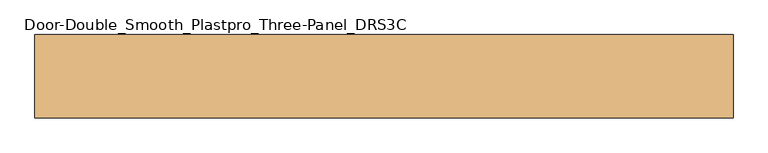
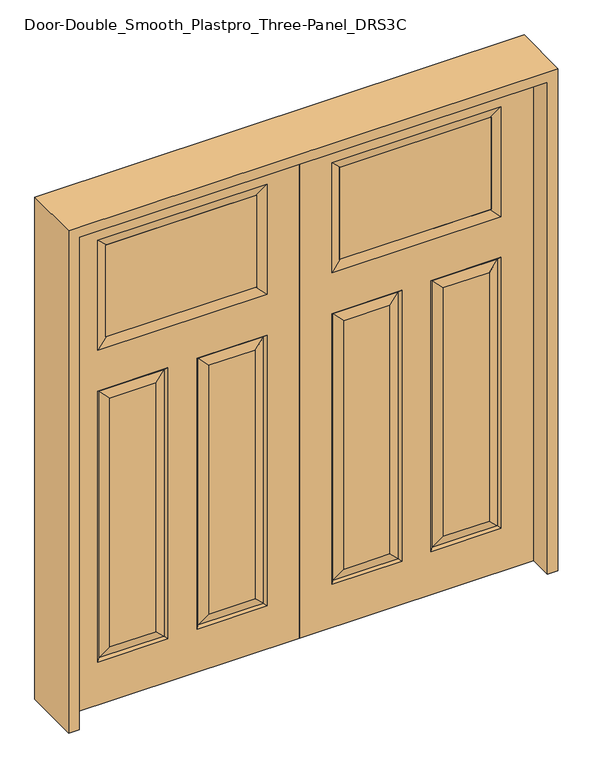
"""IFC4 building model written with IfcOpenShell, lengths in millimetres: door geometry, Door-Double_Smooth_Plastpro_Three-Panel_DRS3C."""

from ifc_helpers import new_model, si_unit, frame, origin, place, context, project, spatial, polyline, outline, extrude, faceted_brep, source, transform, mapped, element, save


def door_double_smooth_plastpro_three_panel_drs3c_b2e98c24(model_context):
    return source(origin(), model_context, "Body", "SolidModel", [
        faceted_brep([(914.4, -20.6375, 2032.0), (914.4, -20.6375, 0.0), (914.4, 20.6375, 0.0), (914.4, 20.6375, 2032.0), (0.0, 20.6375, 0.0), (0.0, 20.6375, 2032.0), (126.873, 20.6375, 177.673), (400.177, 20.6375, 177.673), (400.177, 20.6375, 1295.527), (126.873, 20.6375, 1295.527), (787.5984375, 20.6375, 1463.5757812), (787.5984375, 20.6375, 1917.8984375), (126.8015625, 20.6375, 1917.8984375), (126.8015625, 20.6375, 1463.5757812), (787.527, 20.6375, 1295.527), (514.223, 20.6375, 1295.527), (514.223, 20.6375, 177.673), (787.527, 20.6375, 177.673), (741.4895, 20.6375, 223.7105), (560.2605, 20.6375, 223.7105), (560.2605, 20.6375, 1249.4895), (741.4895, 20.6375, 1249.4895), (172.9105, 20.6375, 1249.4895), (354.1395, 20.6375, 1249.4895), (354.1395, 20.6375, 223.7105), (172.9105, 20.6375, 223.7105), (778.5467439, 11.6572439, 1286.5467439), (778.5467439, 11.6572439, 186.6532561), (523.2032561, 11.6572439, 186.6532561), (391.1967439, -11.6572439, 186.6532561), (391.1967439, -11.6572439, 1286.5467439), (354.1395, -20.6375, 1249.4895), (354.1395, -20.6375, 223.7105), (560.2605, -20.6375, 223.7105), (560.2605, -20.6375, 1249.4895), (523.2032561, -11.6572439, 1286.5467439), (523.2032561, -11.6572439, 186.6532561), (778.5467439, -11.6572439, 186.6532561), (514.223, -20.6375, 177.673), (787.527, -20.6375, 177.673), (787.5984375, -20.6375, 1463.5757812), (787.5984375, -20.6375, 1917.8984375), (750.5411936, -11.6572439, 1880.8411936), (753.7161936, -12.4266566, 1880.8898438), (753.7161936, -12.4266566, 1500.584375), (750.5411936, -11.6572439, 1500.584375), (163.8588064, -11.6572439, 1500.584375), (160.6838064, -12.4266566, 1500.584375), (160.6838064, -12.4266566, 1880.8898438), (163.8588064, -11.6572439, 1880.8898438), (126.8015625, -20.6375, 1917.8984375), (126.8015625, -20.6375, 1463.5757812), (135.8532561, -11.6572439, 1286.5467439), (400.177, -20.6375, 1295.527), (126.873, -20.6375, 1295.527), (160.6838064, 12.4266566, 1880.8898438), (163.8588064, 11.6572439, 1880.8898438), (750.5411936, 11.6690335, 1880.8898438), (753.7161936, 12.4266566, 1880.8898438), (0.0, -20.6375, 0.0), (0.0, -20.6375, 2032.0), (514.223, -20.6375, 1295.527), (787.527, -20.6375, 1295.527), (400.177, -20.6375, 177.673), (126.873, -20.6375, 177.673), (172.9105, -20.6375, 223.7105), (172.9105, -20.6375, 1249.4895), (741.4895, -20.6375, 1249.4895), (741.4895, -20.6375, 223.7105), (135.8532561, 11.6572439, 186.6532561), (391.1967439, 11.6572439, 186.6532561), (135.8532561, -11.6572439, 186.6532561), (778.5467439, -11.6572439, 1286.5467439), (160.6838064, 12.4266566, 1500.584375), (163.8588064, 11.6572439, 1500.584375), (135.8532561, 11.6572439, 1286.5467439), (391.1967439, 11.6572439, 1286.5467439), (523.2032561, 11.6572439, 1286.5467439), (750.5898438, 11.6690335, 1500.584375), (753.7161936, 12.4266566, 1500.584375)], [[[0, 1, 2, 3]], [[3, 2, 4, 5], [6, 7, 8, 9], [10, 11, 12, 13], [14, 15, 16, 17]], [[18, 19, 20, 21]], [[22, 23, 24, 25]], [[26, 14, 17, 27]], [[27, 18, 21, 26]], [[27, 28, 19, 18]], [[29, 30, 31, 32]], [[33, 34, 35, 36]], [[37, 36, 38, 39]], [[40, 41, 42, 43, 44, 45]], [[46, 47, 48, 49, 50, 51]], [[52, 30, 53, 54]], [[55, 56, 57, 58, 43, 42, 49, 48]], [[51, 40, 45, 46]], [[4, 2, 1, 59]], [[5, 4, 59, 60]], [[60, 59, 1, 0], [39, 38, 61, 62], [51, 50, 41, 40], [54, 53, 63, 64]], [[65, 32, 31, 66]], [[67, 34, 33, 68]], [[5, 60, 0, 3]], [[69, 70, 7, 6]], [[71, 29, 32, 65]], [[63, 53, 30, 29]], [[37, 39, 62, 72]], [[13, 12, 56, 55, 73, 74]], [[6, 9, 75, 69]], [[70, 76, 8, 7]], [[75, 22, 25, 69]], [[25, 24, 70, 69]], [[24, 23, 76, 70]], [[17, 16, 28, 27]], [[16, 15, 77, 28]], [[28, 77, 20, 19]], [[65, 66, 52, 71]], [[52, 54, 64, 71]], [[64, 63, 29, 71]], [[72, 67, 68, 37]], [[68, 33, 36, 37]], [[36, 35, 61, 38]], [[12, 11, 57, 56]], [[78, 79, 58, 57, 11, 10]], [[49, 42, 41, 50]], [[66, 31, 30, 52]], [[9, 8, 76, 75]], [[75, 76, 23, 22]], [[58, 79, 44, 43]], [[79, 78, 74, 73, 47, 46, 45, 44]], [[48, 47, 73, 55]], [[74, 78, 10, 13]], [[72, 35, 34, 67]], [[62, 61, 35, 72]], [[26, 77, 15, 14]], [[21, 20, 77, 26]]]),
        extrude(outline(polyline([(160.6838064, -11.6572439), (160.6838064, 11.6572439), (753.7161936, 11.6572439), (753.7161936, -11.6572439), (160.6838064, -11.6572439)])), frame((0.0, 0.0, 1500.584375), z_axis=(0.0, 0.0, 1.0), x_axis=(1.0, 0.0, 0.0)), (0.0, 0.0, 1.0), 380.3054688),
        faceted_brep([(-914.4, -20.6375, 2032.0), (-914.4, 20.6375, 2032.0), (-914.4, 20.6375, 0.0), (-914.4, -20.6375, 0.0), (-172.9105, 20.6375, 1249.4895), (-172.9105, 20.6375, 223.7105), (-354.1395, 20.6375, 223.7105), (-354.1395, 20.6375, 1249.4895), (-741.4895, 20.6375, 223.7105), (-741.4895, 20.6375, 1249.4895), (-560.2605, 20.6375, 1249.4895), (-560.2605, 20.6375, 223.7105), (0.0, 20.6375, 2032.0), (0.0, 20.6375, 0.0), (-126.873, 20.6375, 177.673), (-126.873, 20.6375, 1295.527), (-400.177, 20.6375, 1295.527), (-400.177, 20.6375, 177.673), (-787.5984375, 20.6375, 1463.5757812), (-126.8015625, 20.6375, 1463.5757812), (-126.8015625, 20.6375, 1917.8984375), (-787.5984375, 20.6375, 1917.8984375), (-787.527, 20.6375, 1295.527), (-787.527, 20.6375, 177.673), (-514.223, 20.6375, 177.673), (-514.223, 20.6375, 1295.527), (-778.5467439, 11.6572439, 1286.5467439), (-778.5467439, 11.6572439, 186.6532561), (-523.2032561, 11.6572439, 186.6532561), (-391.1967439, -11.6572439, 186.6532561), (-354.1395, -20.6375, 223.7105), (-354.1395, -20.6375, 1249.4895), (-391.1967439, -11.6572439, 1286.5467439), (-560.2605, -20.6375, 223.7105), (-523.2032561, -11.6572439, 186.6532561), (-523.2032561, -11.6572439, 1286.5467439), (-560.2605, -20.6375, 1249.4895), (-778.5467439, -11.6572439, 186.6532561), (-787.527, -20.6375, 177.673), (-514.223, -20.6375, 177.673), (-787.5984375, -20.6375, 1463.5757812), (-750.5411936, -11.6572439, 1500.6330251), (-753.7161936, -12.4266566, 1500.584375), (-753.7161936, -12.4266566, 1880.8898438), (-750.5411936, -11.6572439, 1880.8898438), (-787.5984375, -20.6375, 1917.8984375), (-163.8588064, -11.6572439, 1500.6330251), (-126.8015625, -20.6375, 1463.5757812), (-126.8015625, -20.6375, 1917.8984375), (-163.8588064, -11.6572439, 1880.8411936), (-160.6838064, -12.4266566, 1880.8898438), (-160.6838064, -12.4266566, 1500.584375), (-135.8532561, -11.6572439, 1286.5467439), (-126.873, -20.6375, 1295.527), (-400.177, -20.6375, 1295.527), (-160.6838064, 12.4266566, 1880.8898438), (-753.7161936, 12.4266566, 1880.8898438), (-750.5411936, 11.6572439, 1880.8898438), (-163.8588064, 11.6690335, 1880.8898438), (0.0, -20.6375, 0.0), (0.0, -20.6375, 2032.0), (-172.9105, -20.6375, 223.7105), (-172.9105, -20.6375, 1249.4895), (-741.4895, -20.6375, 1249.4895), (-741.4895, -20.6375, 223.7105), (-787.527, -20.6375, 1295.527), (-514.223, -20.6375, 1295.527), (-126.873, -20.6375, 177.673), (-400.177, -20.6375, 177.673), (-135.8532561, 11.6572439, 186.6532561), (-391.1967439, 11.6572439, 186.6532561), (-135.8532561, -11.6572439, 186.6532561), (-778.5467439, -11.6572439, 1286.5467439), (-163.8588064, 11.6572439, 1500.6330251), (-160.6838064, 12.4266566, 1500.584375), (-135.8532561, 11.6572439, 1286.5467439), (-391.1967439, 11.6572439, 1286.5467439), (-523.2032561, 11.6572439, 1286.5467439), (-750.5411936, 11.6572439, 1500.6330251), (-753.7161936, 12.4266566, 1500.584375)], [[[0, 1, 2, 3]], [[4, 5, 6, 7]], [[8, 9, 10, 11]], [[1, 12, 13, 2], [14, 15, 16, 17], [18, 19, 20, 21], [22, 23, 24, 25]], [[26, 27, 23, 22]], [[27, 26, 9, 8]], [[27, 8, 11, 28]], [[29, 30, 31, 32]], [[33, 34, 35, 36]], [[37, 38, 39, 34]], [[40, 41, 42, 43, 44, 45]], [[46, 47, 48, 49, 50, 51]], [[52, 53, 54, 32]], [[55, 50, 49, 44, 43, 56, 57, 58]], [[47, 46, 41, 40]], [[13, 59, 3, 2]], [[12, 60, 59, 13]], [[61, 62, 31, 30]], [[63, 64, 33, 36]], [[60, 0, 3, 59], [38, 65, 66, 39], [47, 40, 45, 48], [53, 67, 68, 54]], [[12, 1, 0, 60]], [[69, 14, 17, 70]], [[71, 61, 30, 29]], [[68, 29, 32, 54]], [[37, 72, 65, 38]], [[19, 73, 74, 55, 58, 20]], [[14, 69, 75, 15]], [[70, 17, 16, 76]], [[75, 69, 5, 4]], [[5, 69, 70, 6]], [[6, 70, 76, 7]], [[23, 27, 28, 24]], [[24, 28, 77, 25]], [[28, 11, 10, 77]], [[61, 71, 52, 62]], [[52, 71, 67, 53]], [[67, 71, 29, 68]], [[72, 37, 64, 63]], [[64, 37, 34, 33]], [[34, 39, 66, 35]], [[20, 58, 57, 21]], [[78, 18, 21, 57, 56, 79]], [[49, 48, 45, 44]], [[62, 52, 32, 31]], [[15, 75, 76, 16]], [[75, 4, 7, 76]], [[56, 43, 42, 79]], [[79, 42, 41, 46, 51, 74, 73, 78]], [[50, 55, 74, 51]], [[73, 19, 18, 78]], [[72, 63, 36, 35]], [[65, 72, 35, 66]], [[26, 22, 25, 77]], [[9, 26, 77, 10]]]),
        extrude(outline(polyline([(-160.6838064, -11.6572439), (-753.7161936, -11.6572439), (-753.7161936, 11.6572439), (-160.6838064, 11.6572439), (-160.6838064, -11.6572439)])), frame((0.0, 0.0, 1500.584375), z_axis=(0.0, 0.0, 1.0), x_axis=(1.0, 0.0, 0.0)), (0.0, 0.0, 1.0), 380.3054688),
        extrude(outline(polyline([(2073.275, -955.675), (0.0, -955.675), (0.0, -914.4), (2032.0, -914.4), (2032.0, 914.4), (0.0, 914.4), (0.0, 955.675), (2073.275, 955.675), (2073.275, -955.675)])), frame((0.0, -114.3, 0.0), z_axis=(0.0, 1.0, 0.0), x_axis=(0.0, 0.0, 1.0)), (0.0, 0.0, 1.0), 228.6),
    ])


if __name__ == "__main__":
    model = new_model("IFC4")
    model_context = context("Model", 3, world=origin())
    ifc_project = project(units=[si_unit("LENGTHUNIT", "METRE", prefix="MILLI")], contexts=[model_context])
    site = spatial("IfcSite", under=ifc_project)
    building = spatial("IfcBuilding", under=site)
    placement = place(None, origin())
    door_double_smooth_plastpro_three_panel_drs3c_shape = door_double_smooth_plastpro_three_panel_drs3c_b2e98c24(model_context)
    element("IfcDoor", 1, ObjectType="Door-Double_Smooth_Plastpro_Three-Panel_DRS3C", at=placement, inside=building, context=model_context, shape_type="MappedRepresentation", body=[
        mapped(door_double_smooth_plastpro_three_panel_drs3c_shape, transform((0.0, 0.0, 0.0), x_axis=(1.0, 0.0, 0.0), y_axis=(0.0, 1.0, 0.0), z_axis=(0.0, 0.0, 1.0))),
    ])
    save(model, "model.ifc")
